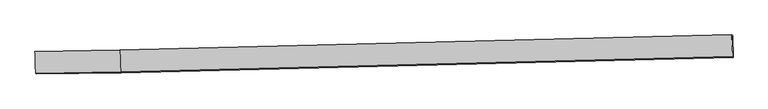
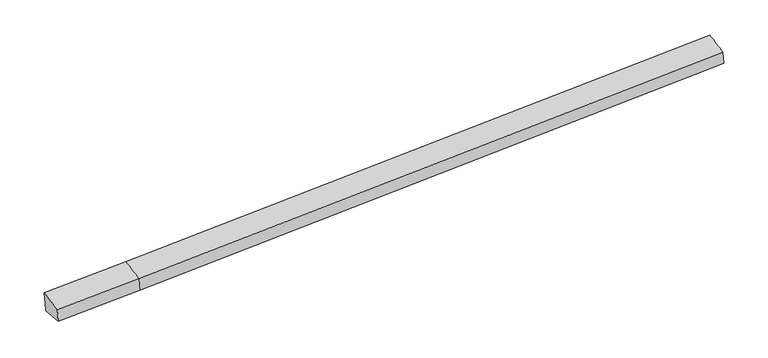
"""IFC4 building model written with IfcOpenShell, lengths in millimetres: proxy geometry."""

from ifc_helpers import new_model, si_unit, frame, origin, place, context, project, spatial, source, transform, mapped, element, save
from ifc_brep_helpers import plane_surface, spline_surface, advanced_brep


def generic_models_2431167b(model_context):
    return source(origin(), model_context, "Body", "AdvancedBrep", [
        advanced_brep(
        [(-8159.4483735, -2106.2397369, 1857.3357682), (-8143.2169453, -2124.9308271, 1462.4460061), (-5485.4309719, -2080.4600513, 1564.5620202), (-5501.5329154, -2061.9180676, 1956.3015844), (-8159.6183454, -1445.9210489, 1429.6326682), (-5502.0735692, -1391.4648352, 1531.2661331), (-8161.0541562, -1444.2676596, 1464.5640974), (-5503.5498635, -1389.7648277, 1567.182474), (-8183.9537491, -1417.8979311, 2021.6817226), (-5526.4949673, -1363.3426916, 2125.4073211), (13635.6016257, -914.9324907, 2308.5115098), (13612.7020328, -888.5627622, 2865.629135), (13633.2896119, -1576.9954493, 2701.1264462), (13648.9056927, -1594.9779442, 2321.2072967), (13636.422089, -915.8772846, 2288.550693)],
        [
            (0, 1),
            (1, 2),
            (2, 3),
            (3, 0),
            (1, 4),
            (4, 5),
            (5, 1),
            (4, 6),
            (6, 7),
            (7, 5),
            (6, 8),
            (8, 9),
            (9, 7),
            (8, 0),
            (3, 9),
            (10, 11),
            (11, 12),
            (12, 13),
            (13, 14),
            (14, 10),
            (5, 2),
            (9, 11),
            (10, 7),
            (3, 12),
            (2, 13),
            (5, 14),
        ],
        [
            plane_surface(frame((-8151.3326594, -2115.585282, 1659.8908871), z_axis=(0.014871438261628123, -0.9987421826669887, 0.04788416111419534), x_axis=(0.04102316597909155, -0.04723969363585932, -0.9980408364381901))),
            plane_surface(frame((-8151.4176453, -1785.425938, 1446.0393371), z_axis=(0.039140248167667965, -0.04728871726371267, -0.9981141308452287), x_axis=(-0.024119706144792624, 0.9985437915064276, -0.04825490876021872))),
            plane_surface(frame((-8160.3362508, -1445.0943543, 1447.0983828), z_axis=(-0.0186269331879066, 0.9986719465309528, -0.048035201384934376), x_axis=(-0.041023165979102924, 0.04723969363585747, 0.9980408364381897))),
            plane_surface(frame((-8172.5039527, -1431.0827954, 1743.12291), z_axis=(-0.018626933187906532, 0.9986719465309528, -0.04803520138493569), x_axis=(-0.0410231659790919, 0.04723969363585901, 0.9980408364381902))),
            spline_surface(1, 1, [[(-8183.9537491, -1417.8979311, 2021.6817226), (-5526.4949673, -1363.3426916, 2125.4073211)], [(-8159.4483735, -2106.2397369, 1857.3357682), (-5501.5329154, -2061.9180676, 1956.3015844)]], [2, 2], [2, 2], [0.0, 1.0], [0.0, 1.0]),
            plane_surface(frame((13632.8298566, -1244.1033601, 2544.1283928), z_axis=(0.9989895268966376, 0.020292387602927602, 0.04010167273574689), x_axis=(-0.04102316597909444, 0.04723969363585888, 0.99804083643819))),
            plane_surface(frame((-8161.5593533, -1773.747386, 1692.7740413), z_axis=(-0.9988670280014957, -0.026052020826768482, -0.03982402016749354), x_axis=(-0.03460657083355204, 0.972078529912422, 0.23208988978076317))),
            plane_surface(frame((-8143.2169453, -2124.9308271, 1462.4460061), z_axis=(0.03914024816766786, -0.047288717263712456, -0.9981141308452286), x_axis=(-0.024119706144805374, 0.9985437915064272, -0.048254908760218984))),
            plane_surface(frame((-5515.0224154, -1376.5537597, 1846.2948975), z_axis=(-0.02290690155058019, 0.9985746868691742, -0.048206520362735907), x_axis=(-0.04102316597924737, 0.04723969363585493, 0.9980408364381839))),
            spline_surface(1, 1, [[(-5526.4949673, -1363.3426916, 2125.4073211), (13612.7020328, -888.5627622, 2865.629135)], [(-5501.5329154, -2061.9180676, 1956.3015844), (13633.2896119, -1576.9954493, 2701.1264462)]], [2, 2], [2, 2], [0.0, 1.0], [0.0, 1.0]),
            plane_surface(frame((-5493.4819437, -2071.1890595, 1760.4318023), z_axis=(0.023428707787961734, -0.9985615747494236, 0.04822734789865029), x_axis=(0.0410231659790957, -0.04723969363585854, -0.99804083643819))),
            spline_surface(1, 1, [[(-5485.4309719, -2080.4600513, 1564.5620202), (13648.9056927, -1594.9779442, 2321.2072967)], [(-5502.0735692, -1391.4648352, 1531.2661331), (13636.422089, -915.8772846, 2288.550693)]], [2, 2], [2, 2], [0.0, 1.0], [0.0, 1.0]),
            plane_surface(frame((-5502.8117163, -1390.6148314, 1549.2243036), z_axis=(-0.02290690155058003, 0.998574686869174, -0.04820652036274009), x_axis=(-0.04102316597482606, 0.04723969363596906, 0.9980408364383603))),
        ],
        [
            (0, [[1, 2, 3, 4]]),
            (1, [[5, 6, 7]]),
            (2, [[8, 9, 10, -6]]),
            (3, [[11, 12, 13, -9]]),
            (4, [[14, -4, 15, -12]]),
            (5, [[16, 17, 18, 19, 20]]),
            (6, [[-14, -11, -8, -5, -1]]),
            (7, [[21, -2, -7]]),
            (8, [[-13, 22, -16, 23]]),
            (9, [[-15, 24, -17, -22]]),
            (10, [[-3, 25, -18, -24]]),
            (11, [[-21, 26, -19, -25]]),
            (12, [[-10, -23, -20, -26]]),
        ],
    ),
    ])


if __name__ == "__main__":
    model = new_model("IFC4")
    model_context = context("Model", 3, world=origin())
    ifc_project = project(units=[si_unit("LENGTHUNIT", "METRE", prefix="MILLI")], contexts=[model_context])
    site = spatial("IfcSite", under=ifc_project)
    building = spatial("IfcBuilding", under=site)
    placement = place(None, origin())
    generic_models_shape = generic_models_2431167b(model_context)
    element("IfcBuildingElementProxy", 1, Name="Generic Models", at=placement, inside=building, context=model_context, shape_type="MappedRepresentation", body=[
        mapped(generic_models_shape, transform((0.0, 0.0, 0.0), x_axis=(1.0, 0.0, 0.0), y_axis=(0.0, 1.0, 0.0), z_axis=(0.0, 0.0, 1.0))),
    ])
    save(model, "model.ifc")
